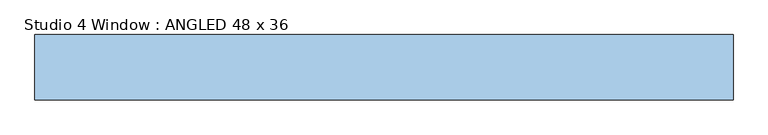
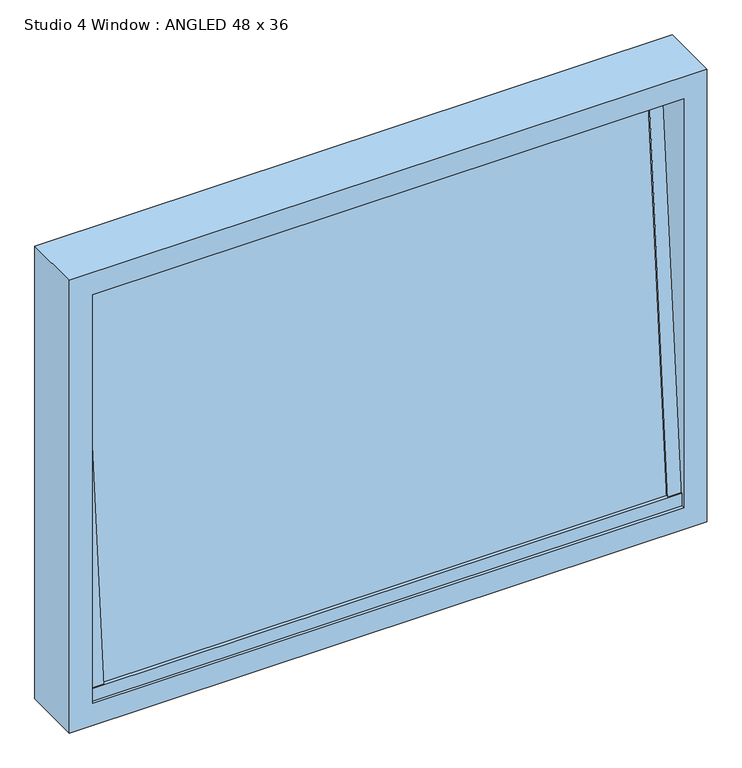
"""IFC4 building model written with IfcOpenShell, lengths in millimetres: window geometry, Studio 4 Window : ANGLED 48 x 36."""

from ifc_helpers import new_model, si_unit, frame, origin, place, context, project, spatial, polyline, outline, extrude, faceted_brep, source, transform, mapped, element, save


def studio_4_window_angled_48_x_36_476145e8(model_context):
    return source(origin(), model_context, "Body", "SolidModel", [
        extrude(outline(polyline([(-565.15, 17.5), (-539.75, 17.5), (-539.75, -17.5), (-565.15, -17.5), (-565.15, 17.5)])), frame((0.0, 12.7, 863.5), z_axis=(0.0, 0.08038418992031013, 0.9967639550118451), x_axis=(-1.0, 0.0, 0.0)), (0.0, 0.0, 1.0), 789.9563342),
        extrude(outline(polyline([(539.75, -17.5), (539.75, 17.5), (565.15, 17.5), (565.15, -17.5), (539.75, -17.5)])), frame((0.0, 12.7, 863.5), z_axis=(0.0, 0.08038418992031013, 0.9967639550118451), x_axis=(-1.0, 0.0, 0.0)), (0.0, 0.0, 1.0), 789.9563342),
        extrude(outline(polyline([(-565.15, 12.7), (565.15, 12.7), (565.15, -12.7), (-565.15, -12.7), (-565.15, 12.7)])), frame((0.0, 12.7, 863.5), z_axis=(0.0, 0.08038418992031013, 0.9967639550118451), x_axis=(-1.0, 0.0, 0.0)), (0.0, 0.0, 1.0), 789.9563342),
        faceted_brep([(-609.6, -12.7, 800.0), (-609.6, -12.7, 1714.4), (-609.6, 101.6, 1714.4), (-609.6, 101.6, 800.0), (565.15, -6.9025662, 869.8750418), (-565.15, -6.9025662, 869.8750418), (-565.15, -6.9025662, 844.45), (565.15, -6.9025662, 844.45), (565.15, 32.3025662, 869.8750418), (-565.15, 32.3025662, 869.8750418), (565.15, 32.3025662, 844.45), (-565.15, 32.3025662, 844.45), (609.6, -12.7, 1714.4), (609.6, -12.7, 800.0), (609.6, 101.6, 800.0), (609.6, 101.6, 1714.4), (565.15, 95.8025662, 1644.55), (-565.15, 95.8025662, 1644.55), (-565.15, 95.8025662, 1669.95), (565.15, 95.8025662, 1669.95), (565.15, 56.5974338, 1644.55), (-565.15, 56.5974338, 1644.55), (565.15, 56.5974338, 1669.95), (-565.15, 56.5974338, 1669.95), (565.15, -12.7, 1669.95), (565.15, -12.7, 844.45), (-565.15, -12.7, 844.45), (-565.15, -12.7, 1669.95), (565.15, 101.6, 1669.95), (-565.15, 101.6, 1669.95), (-565.15, 101.6, 844.45), (565.15, 101.6, 844.45)], [[[0, 1, 2, 3]], [[4, 5, 6, 7]], [[5, 4, 8, 9]], [[9, 8, 10, 11]], [[12, 13, 14, 15]], [[16, 17, 18, 19]], [[17, 16, 20, 21]], [[21, 20, 22, 23]], [[12, 1, 0, 13], [24, 25, 26, 27]], [[15, 14, 3, 2], [28, 29, 30, 31]], [[13, 0, 3, 14]], [[27, 26, 6, 5, 9, 11, 30, 29, 18, 17, 21, 23]], [[26, 25, 7, 6]], [[31, 30, 11, 10]], [[25, 24, 22, 20, 16, 19, 28, 31, 10, 8, 4, 7]], [[1, 12, 15, 2]], [[24, 27, 23, 22]], [[29, 28, 19, 18]]]),
    ])


if __name__ == "__main__":
    model = new_model("IFC4")
    model_context = context("Model", 3, world=origin())
    ifc_project = project(units=[si_unit("LENGTHUNIT", "METRE", prefix="MILLI")], contexts=[model_context])
    site = spatial("IfcSite", under=ifc_project)
    building = spatial("IfcBuilding", under=site)
    placement = place(None, origin())
    studio_4_window_angled_48_x_36_shape = studio_4_window_angled_48_x_36_476145e8(model_context)
    element("IfcWindow", 1, ObjectType="Studio 4 Window : ANGLED 48 x 36", at=placement, inside=building, context=model_context, shape_type="MappedRepresentation", body=[
        mapped(studio_4_window_angled_48_x_36_shape, transform((0.0, 0.0, 0.0), x_axis=(1.0, 0.0, 0.0), y_axis=(0.0, 1.0, 0.0), z_axis=(0.0, 0.0, 1.0))),
    ])
    save(model, "model.ifc")
